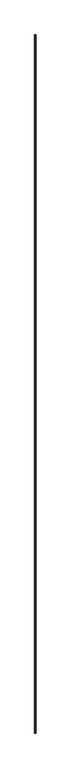
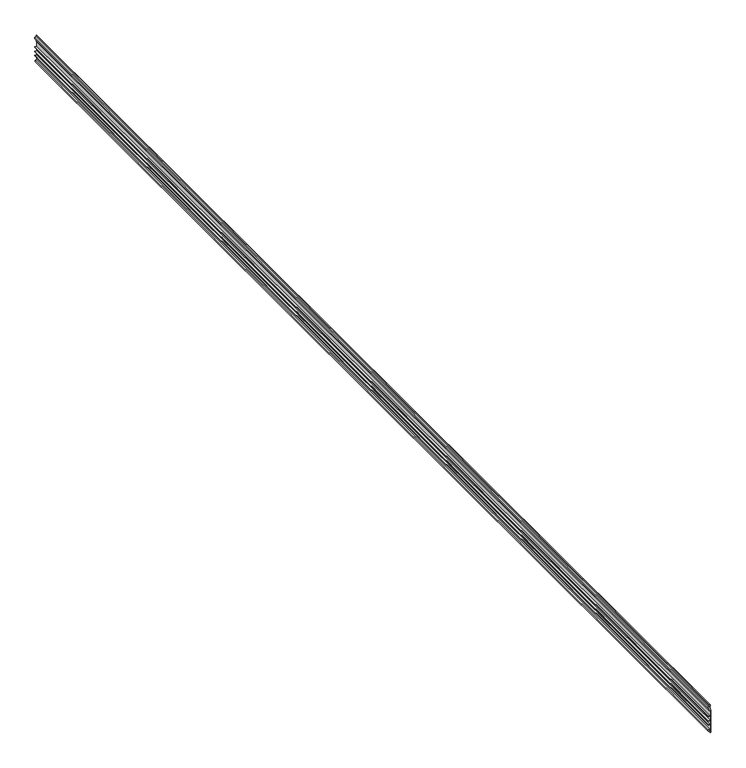
"""IFC4 building model written with IfcOpenShell, lengths in millimetres: proxy geometry."""

from ifc_helpers import new_model, si_unit, frame, origin, place, context, project, spatial, polyline, outline, extrude, source, transform, mapped, element, save


def generic_models_b9bc5c76(model_context):
    return source(origin(), model_context, "Body", "SweptSolid", [
        extrude(outline(polyline([(3422.6569019, 38255.1648517), (3422.6569019, 38258.3398517), (3556.0069019, 38258.3398517), (3556.0069019, 38255.1648517), (3568.7069019, 38255.1648517), (3571.2359786, 38249.7412292), (3575.7028252, 38249.7412292), (3578.2319019, 38255.1648517), (3587.7569019, 38255.1648517), (3587.7569019, 38251.9898517), (3580.2545999, 38251.9898517), (3577.4385724, 38245.9508611), (3569.5002314, 38245.9508611), (3566.6842038, 38251.9898517), (3552.8319019, 38251.9898517), (3552.8319019, 38255.1648517), (3521.8756519, 38255.1648517), (3521.8756519, 38245.6398517), (3518.7006519, 38245.6398517), (3518.7006519, 38255.1648517), (3496.4756519, 38255.1648517), (3496.4756519, 38245.6398517), (3493.3006519, 38245.6398517), (3493.3006519, 38255.1648517), (3471.0756519, 38255.1648517), (3471.0756519, 38245.6398517), (3467.9006519, 38245.6398517), (3467.9006519, 38255.1648517), (3442.5006519, 38255.1648517), (3442.5006519, 38246.3544132), (3432.9756519, 38246.3544132), (3432.9756519, 38250.2518612), (3439.3256519, 38250.2518612), (3439.3256519, 38255.1648517), (3422.6569019, 38255.1648517)])), frame((0.0, -25196.3529893, 0.0), z_axis=(0.0, 1.0, 0.0), x_axis=(0.0, 0.0, 1.0)), (0.0, 0.0, 1.0), 6533.92),
    ])


if __name__ == "__main__":
    model = new_model("IFC4")
    model_context = context("Model", 3, world=origin())
    ifc_project = project(units=[si_unit("LENGTHUNIT", "METRE", prefix="MILLI")], contexts=[model_context])
    site = spatial("IfcSite", under=ifc_project)
    building = spatial("IfcBuilding", under=site)
    placement = place(None, origin())
    generic_models_shape = generic_models_b9bc5c76(model_context)
    element("IfcBuildingElementProxy", 1, Name="Generic Models", at=placement, inside=building, context=model_context, shape_type="MappedRepresentation", body=[
        mapped(generic_models_shape, transform((0.0, 0.0, 0.0), x_axis=(1.0, 0.0, 0.0), y_axis=(0.0, 1.0, 0.0), z_axis=(0.0, 0.0, 1.0))),
    ])
    save(model, "model.ifc")
